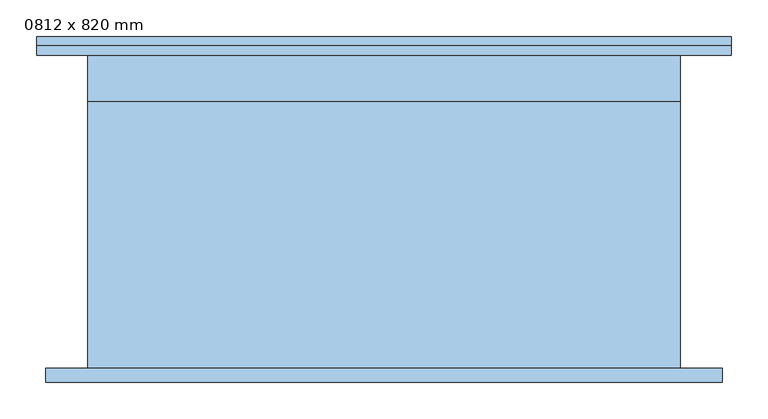
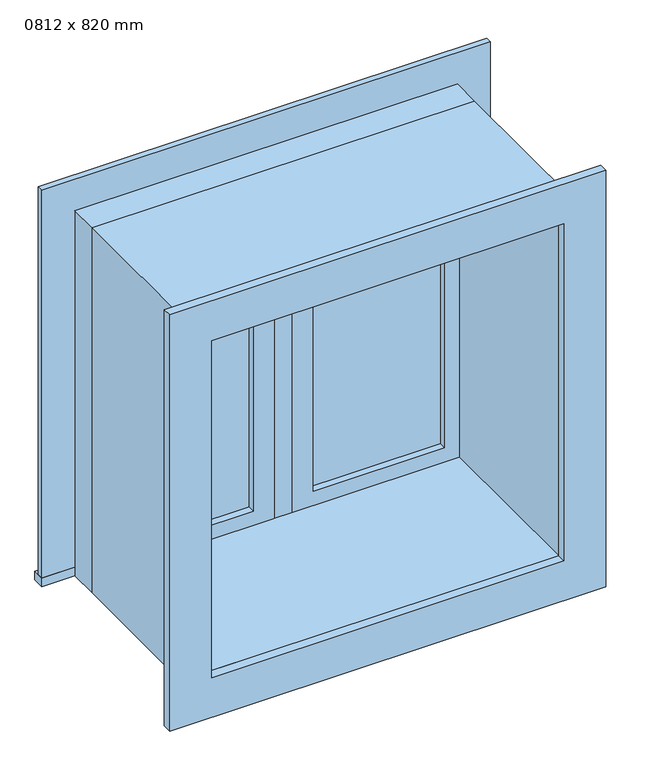
"""IFC4 building model written with IfcOpenShell, lengths in millimetres: window geometry, 0812 x 820 mm."""

from ifc_helpers import new_model, si_unit, frame, origin, place, context, project, spatial, polyline, outline, extrude, source, transform, mapped, element, save


def window_0812_x_820_mm_6036f654(model_context):
    return source(origin(), model_context, "Body", "SweptSolid", [
        extrude(outline(polyline([(63.5, 198.675), (342.5, 198.675), (342.5, 185.975), (63.5, 185.975), (63.5, 198.675)])), frame((0.0, 0.0, 978.5), z_axis=(0.0, 0.0, 1.0), x_axis=(1.0, 0.0, 0.0)), (0.0, 0.0, 1.0), 693.0),
        extrude(outline(polyline([(1715.95, 19.05), (934.05, 19.05), (934.05, 386.95), (1715.95, 386.95), (1715.95, 19.05)]), holes=[polyline([(1671.5, 63.5), (1671.5, 342.5), (978.5, 342.5), (978.5, 63.5), (1671.5, 63.5)])]), frame((0.0, 170.1, 0.0), z_axis=(0.0, 1.0, 0.0), x_axis=(0.0, 0.0, 1.0)), (0.0, 0.0, 1.0), 44.45),
        extrude(outline(polyline([(-475.95, 259.25), (475.95, 259.25), (475.95, 233.55), (-475.95, 233.55), (-475.95, 259.25)])), frame((0.0, 0.0, 915.0), z_axis=(0.0, 0.0, 1.0), x_axis=(1.0, 0.0, 0.0)), (0.0, 0.0, 1.0), 19.05),
        extrude(outline(polyline([(1715.95, -386.95), (1715.95, 386.95), (934.05, 386.95), (934.05, 475.95), (1804.95, 475.95), (1804.95, -475.95), (934.05, -475.95), (934.05, -386.95), (1715.95, -386.95)])), frame((0.0, 233.55, 0.0), z_axis=(0.0, 1.0, 0.0), x_axis=(0.0, 0.0, 1.0)), (0.0, 0.0, 1.0), 13.0),
        extrude(outline(polyline([(1792.25, 463.25), (1792.25, -463.25), (857.75, -463.25), (857.75, 463.25), (1792.25, 463.25)]), holes=[polyline([(1703.25, 374.25), (946.75, 374.25), (946.75, -374.25), (1703.25, -374.25), (1703.25, 374.25)])]), frame((0.0, -214.45, 0.0), z_axis=(0.0, 1.0, 0.0), x_axis=(0.0, 0.0, 1.0)), (0.0, 0.0, 1.0), 19.0),
        extrude(outline(polyline([(-63.5, 185.975), (-342.5, 185.975), (-342.5, 198.675), (-63.5, 198.675), (-63.5, 185.975)])), frame((0.0, 0.0, 978.5), z_axis=(0.0, 0.0, 1.0), x_axis=(1.0, 0.0, 0.0)), (0.0, 0.0, 1.0), 693.0),
        extrude(outline(polyline([(1715.95, -386.95), (934.05, -386.95), (934.05, -19.05), (1715.95, -19.05), (1715.95, -386.95)]), holes=[polyline([(1671.5, -342.5), (1671.5, -63.5), (978.5, -63.5), (978.5, -342.5), (1671.5, -342.5)])]), frame((0.0, 170.1, 0.0), z_axis=(0.0, 1.0, 0.0), x_axis=(0.0, 0.0, 1.0)), (0.0, 0.0, 1.0), 44.45),
        extrude(outline(polyline([(1735.0, -406.0), (915.0, -406.0), (915.0, 406.0), (1735.0, 406.0), (1735.0, -406.0)]), holes=[polyline([(1703.25, -374.25), (1703.25, 374.25), (946.75, 374.25), (946.75, -374.25), (1703.25, -374.25)])]), frame((0.0, -195.45, 0.0), z_axis=(0.0, 1.0, 0.0), x_axis=(0.0, 0.0, 1.0)), (0.0, 0.0, 1.0), 365.55),
        extrude(outline(polyline([(1735.0, 406.0), (1735.0, -406.0), (915.0, -406.0), (915.0, 406.0), (1735.0, 406.0)]), holes=[polyline([(1715.95, 386.95), (934.05, 386.95), (934.05, -386.95), (1715.95, -386.95), (1715.95, 386.95)])]), frame((0.0, 170.1, 0.0), z_axis=(0.0, 1.0, 0.0), x_axis=(0.0, 0.0, 1.0)), (0.0, 0.0, 1.0), 63.45),
        extrude(outline(polyline([(19.05, 170.1), (-19.05, 170.1), (-19.05, 233.6), (19.05, 233.6), (19.05, 170.1)])), frame((0.0, 0.0, 934.05), z_axis=(0.0, 0.0, 1.0), x_axis=(1.0, 0.0, 0.0)), (0.0, 0.0, 1.0), 781.9),
    ])


if __name__ == "__main__":
    model = new_model("IFC4")
    model_context = context("Model", 3, world=origin())
    ifc_project = project(units=[si_unit("LENGTHUNIT", "METRE", prefix="MILLI")], contexts=[model_context])
    site = spatial("IfcSite", under=ifc_project)
    building = spatial("IfcBuilding", under=site)
    placement = place(None, origin())
    window_0812_x_820_mm_shape = window_0812_x_820_mm_6036f654(model_context)
    element("IfcWindow", 1, ObjectType="0812 x 820 mm", at=placement, inside=building, context=model_context, shape_type="MappedRepresentation", body=[
        mapped(window_0812_x_820_mm_shape, transform((0.0, 0.0, 0.0), x_axis=(1.0, 0.0, 0.0), y_axis=(0.0, 1.0, 0.0), z_axis=(0.0, 0.0, 1.0))),
    ])
    save(model, "model.ifc")
